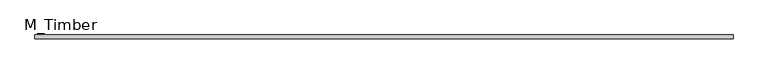
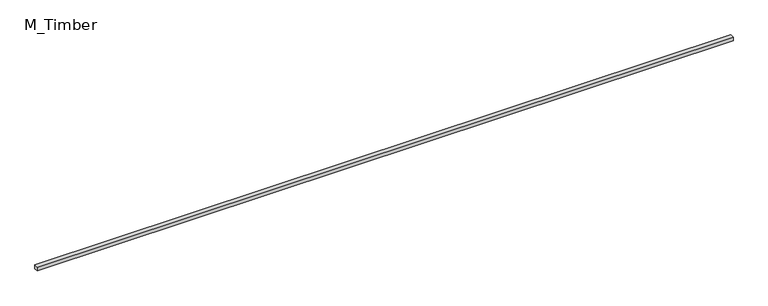
"""IFC4 building model written with IfcOpenShell, lengths in millimetres: beam geometry, M_Timber."""

import ifcopenshell
import ifcopenshell.guid

model = None  # the IFC model being written
_history = None  # IfcOwnerHistory: only IFC2X3 demands one
_inside = {}  # id of a spatial element -> (the spatial element, [elements in it])
_under = {}  # id of a project, library or spatial element -> (it, [spatial elements below it])
_declared = {}  # id of a project -> (the project, [libraries it declares])
_typed = {}  # id of a type object -> (the type object, [elements of that type])
_made_of = {}  # id of a material, layer set ... -> (it, [elements and type objects made of it])


def new_model(schema):
    """Start an empty IFC model of exactly this schema.

    Asked for "IFC4X3", IfcOpenShell would pick the latest addendum, in which some entities
    have other attributes; the version numbers below select the first issue.
    IFC2X3 requires an IfcOwnerHistory on every rooted entity: one is made here for all.
    """
    global model, _history
    if schema == "IFC4X3":
        model = ifcopenshell.file(schema_version=(4, 3, 0, 0))
    else:
        model = ifcopenshell.file(schema=schema)
    _inside.clear()
    _under.clear()
    _declared.clear()
    _typed.clear()
    _made_of.clear()
    _history = None
    if model.schema == "IFC2X3":
        org = make("IfcOrganization", Name="unknown")
        user = make(
            "IfcPersonAndOrganization",
            ThePerson=make("IfcPerson", FamilyName="unknown"),
            TheOrganization=org,
        )
        app = make(
            "IfcApplication",
            ApplicationDeveloper=org,
            Version="unknown",
            ApplicationFullName="unknown",
            ApplicationIdentifier="unknown",
        )
        _history = make(
            "IfcOwnerHistory",
            OwningUser=user,
            OwningApplication=app,
            ChangeAction="ADDED",
            CreationDate=0,
        )
    return model


def make(cls, **values):
    """One entity of the class cls with the attributes given. An attribute that is None is left unset."""
    return model.create_entity(
        cls, **{name: value for name, value in values.items() if value is not None}
    )


def rooted(cls, **values):
    """An entity with a GlobalId (a new one), such as an element, a storey or a relation."""
    return make(cls, GlobalId=ifcopenshell.guid.new(), OwnerHistory=_history, **values)


def si_unit(unit_type, name, prefix=None):
    """IfcSIUnit, for example si_unit("LENGTHUNIT", "METRE", prefix="MILLI")."""
    return make("IfcSIUnit", UnitType=unit_type, Prefix=prefix, Name=name)


def assignment(units):
    """IfcUnitAssignment: the units of a project."""
    return None if units is None else make("IfcUnitAssignment", Units=units)


def point(xyz):
    """IfcCartesianPoint."""
    return None if xyz is None else make("IfcCartesianPoint", Coordinates=xyz)


def direction(xyz):
    """IfcDirection."""
    return None if xyz is None else make("IfcDirection", DirectionRatios=xyz)


def frame(location, z_axis=None, x_axis=None):
    """IfcAxis2Placement3D, a coordinate frame: its origin and axes. An axis left out is left unset."""
    return make(
        "IfcAxis2Placement3D",
        Location=point(location),
        Axis=direction(z_axis),
        RefDirection=direction(x_axis),
    )


def origin():
    """The frame at (0, 0, 0) with its axes left unset."""
    return frame((0.0, 0.0, 0.0))


def place(relative_to, where):
    """IfcLocalPlacement: puts the frame where relative to a parent placement (None: the world)."""
    return make(
        "IfcLocalPlacement", PlacementRelTo=relative_to, RelativePlacement=where
    )


def context(
    kind, dimensions, precision=None, world=None, true_north=None, identifier=None
):
    """IfcGeometricRepresentationContext, for example the 3D "Model" context."""
    return make(
        "IfcGeometricRepresentationContext",
        ContextIdentifier=identifier,
        ContextType=kind,
        CoordinateSpaceDimension=dimensions,
        Precision=precision,
        WorldCoordinateSystem=world,
        TrueNorth=true_north,
    )


def project(units=None, contexts=None):
    """IfcProject with its units and contexts."""
    return rooted(
        "IfcProject",
        Name="project",
        RepresentationContexts=contexts,
        UnitsInContext=assignment(units),
    )


def spatial(cls, under=None, at=None, **own):
    """A site, building, storey or space (cls), placed at a placement, below another one or the project."""
    s = rooted(cls, ObjectPlacement=at, **own)
    if under is not None:
        _under.setdefault(under.id(), (under, []))[1].append(s)
    return s


def polyline(points):
    """IfcPolyline through the points."""
    return make("IfcPolyline", Points=[point(p) for p in points])


def outline(outer, holes=None, kind="AREA"):
    """IfcArbitraryClosedProfileDef: a profile drawn as a closed curve; with holes, ...WithVoids."""
    if holes is None:
        return make("IfcArbitraryClosedProfileDef", ProfileType=kind, OuterCurve=outer)
    return make(
        "IfcArbitraryProfileDefWithVoids",
        ProfileType=kind,
        OuterCurve=outer,
        InnerCurves=holes,
    )


def extrude(swept, where, along, depth):
    """IfcExtrudedAreaSolid: the profile swept, set in the frame where, extruded along a direction by depth."""
    return make(
        "IfcExtrudedAreaSolid",
        SweptArea=swept,
        Position=where,
        ExtrudedDirection=direction(along),
        Depth=depth,
    )


def shape(context_of_items, identifier, shape_type, items):
    """IfcShapeRepresentation: the items that make up one representation, for example the "Body"."""
    return make(
        "IfcShapeRepresentation",
        ContextOfItems=context_of_items,
        RepresentationIdentifier=identifier,
        RepresentationType=shape_type,
        Items=items,
    )


def source(mapping_origin, context_of_items, identifier, shape_type, items):
    """IfcRepresentationMap: a shape defined once, which mapped items show again and again."""
    return make(
        "IfcRepresentationMap",
        MappingOrigin=mapping_origin,
        MappedRepresentation=shape(context_of_items, identifier, shape_type, items),
    )


def transform(
    local_origin,
    x_axis=None,
    y_axis=None,
    z_axis=None,
    scale=None,
    scale2=None,
    scale3=None,
    uniform=True,
):
    """IfcCartesianTransformationOperator3D, or its non-uniform kind. x_axis, y_axis, z_axis: its Axis1, 2, 3."""
    if uniform:
        return make(
            "IfcCartesianTransformationOperator3D",
            Axis1=direction(x_axis),
            Axis2=direction(y_axis),
            LocalOrigin=point(local_origin),
            Scale=scale,
            Axis3=direction(z_axis),
        )
    return make(
        "IfcCartesianTransformationOperator3DnonUniform",
        Axis1=direction(x_axis),
        Axis2=direction(y_axis),
        LocalOrigin=point(local_origin),
        Scale=scale,
        Axis3=direction(z_axis),
        Scale2=scale2,
        Scale3=scale3,
    )


def mapped(mapping_source, mapping_target):
    """IfcMappedItem: shows the shape of a source again, moved by a transform."""
    return make(
        "IfcMappedItem", MappingSource=mapping_source, MappingTarget=mapping_target
    )


def made_of(thing, what):
    """Note that an element or type object is made of a material, layer set ...; save() writes the relation."""
    if what is not None:
        _made_of.setdefault(what.id(), (what, []))[1].append(thing)
    return thing


def element(
    cls,
    number,
    at=None,
    inside=None,
    cuts=None,
    type_object=None,
    material=None,
    context=None,
    identifier="Body",
    shape_type=None,
    held_by="IfcProductDefinitionShape",
    body=None,
    shapes=None,
    **own,
):
    """One element of the class cls, such as IfcWall. Its Tag is "e" and its number.

    at: its placement. inside: the storey or other place that contains it. cuts: it is an
    opening in that element (IfcRelVoidsElement). A single representation is given by context,
    identifier, shape_type and body (its items); several are given by shapes. held_by: the class
    of the entity that holds the representations. save() writes the other relations.
    """
    e = rooted(cls, Tag="e%d" % number, ObjectPlacement=at, **own)
    if body is not None:
        shapes = [shape(context, identifier, shape_type, body)]
    if shapes is not None:
        e.Representation = make(held_by, Representations=shapes)
    if inside is not None:
        _inside.setdefault(inside.id(), (inside, []))[1].append(e)
    if cuts is not None:
        rooted(
            "IfcRelVoidsElement", RelatingBuildingElement=cuts, RelatedOpeningElement=e
        )
    if type_object is not None:
        _typed.setdefault(type_object.id(), (type_object, []))[1].append(e)
    return made_of(e, material)


def aggregate(whole, parts):
    """IfcRelAggregates: a whole, such as a stair, and the parts it consists of."""
    return rooted("IfcRelAggregates", RelatingObject=whole, RelatedObjects=parts)


def save(model, path):
    """Write the relations noted so far, then the file.

    IfcRelAggregates (storeys below a building ...), IfcRelContainedInSpatialStructure (elements
    in a storey), IfcRelDefinesByType, IfcRelAssociatesMaterial and IfcRelDeclares: one each for
    every whole, place, type object, material and project.
    """
    for whole, parts in _under.values():
        aggregate(whole, parts)
    for where, things in _inside.values():
        rooted(
            "IfcRelContainedInSpatialStructure",
            RelatedElements=things,
            RelatingStructure=where,
        )
    for kind, things in _typed.values():
        rooted("IfcRelDefinesByType", RelatedObjects=things, RelatingType=kind)
    for what, things in _made_of.values():
        rooted("IfcRelAssociatesMaterial", RelatedObjects=things, RelatingMaterial=what)
    for by, libraries in _declared.values():
        rooted("IfcRelDeclares", RelatingContext=by, RelatedDefinitions=libraries)
    model.write(path)


def m_timber_21806530(model_context):
    return source(origin(), model_context, "Body", "SweptSolid", [
        extrude(outline(polyline([(3633.8509293, 20.0), (3633.8509293, -20.0), (-3633.8509293, -20.0), (-3633.8509293, 20.0), (3633.8509293, 20.0)])), frame((0.0, 0.0, -20.0), z_axis=(0.0, 0.0, 1.0), x_axis=(1.0, 0.0, 0.0)), (0.0, 0.0, 1.0), 40.0),
    ])


if __name__ == "__main__":
    model = new_model("IFC4")
    model_context = context("Model", 3, world=origin())
    ifc_project = project(units=[si_unit("LENGTHUNIT", "METRE", prefix="MILLI")], contexts=[model_context])
    site = spatial("IfcSite", under=ifc_project)
    building = spatial("IfcBuilding", under=site)
    placement = place(None, origin())
    m_timber_shape = m_timber_21806530(model_context)
    element("IfcBeam", 1, ObjectType="M_Timber", at=placement, inside=building, context=model_context, shape_type="MappedRepresentation", body=[
        mapped(m_timber_shape, transform((0.0, 0.0, 0.0), x_axis=(1.0, 0.0, 0.0), y_axis=(0.0, 1.0, 0.0), z_axis=(0.0, 0.0, 1.0))),
    ])
    save(model, "model.ifc")
